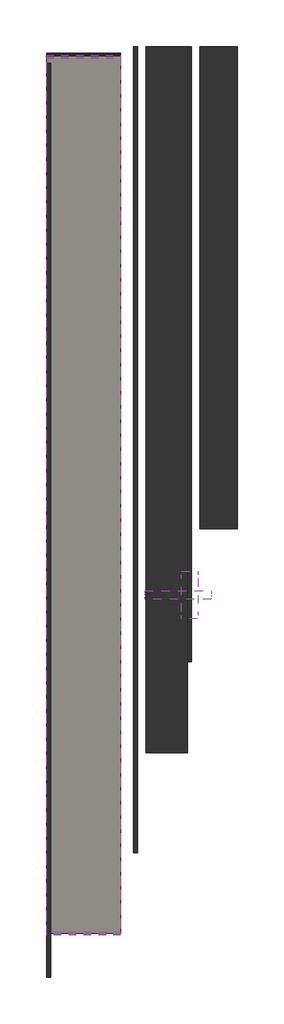
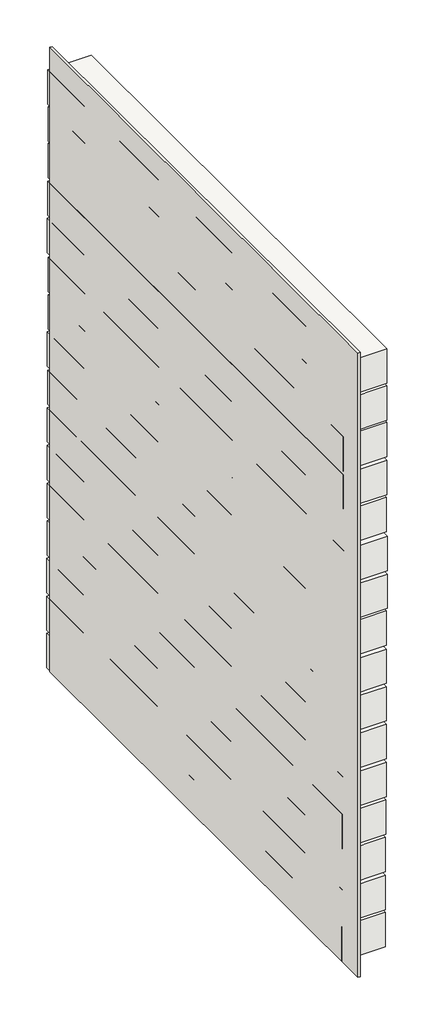
# One storey: 16 slabs, 5 walls, 2 pipe segments.
"""IFC4 building model written with IfcOpenShell, lengths in millimetres."""

from ifc_helpers import new_model, si_unit, point, frame, frame_2d, origin, origin_with_axes, place, context, project, spatial, polyline, circle_curve, trimmed, segment, composite_curve, outline, extrude, element, save

model = new_model("IFC4")

# Units and contexts
model_context = context("Model", 3, world=origin())
ifc_project = project(units=[si_unit("LENGTHUNIT", "METRE", prefix="MILLI")], contexts=[model_context])

# Site, building, storey
site = spatial("IfcSite", under=ifc_project)
building = spatial("IfcBuilding", under=site)
storey = spatial("IfcBuildingStorey", under=building, Elevation=0.0)

# Pipe segments
placement = place(None, origin())
element("IfcPipeSegment", 1, at=placement, inside=storey, context=model_context, shape_type="SweptSolid", body=[
    extrude(outline(composite_curve([segment(trimmed(circle_curve(frame_2d((-372.473152, 1959.7581082)), 57.15), [point((-429.623152, 1959.7581082))], [point((-372.473152, 2016.9081082))], False, "CARTESIAN"), True, "CONTINUOUS"), segment(trimmed(circle_curve(frame_2d((-372.473152, 1959.7581082)), 57.15), [point((-372.473152, 2016.9081082))], [point((-315.323152, 1959.7581082))], False, "CARTESIAN"), True, "CONTINUOUS"), segment(trimmed(circle_curve(frame_2d((-372.473152, 1959.7581082)), 57.15), [point((-315.323152, 1959.7581082))], [point((-372.473152, 1902.6081082))], False, "CARTESIAN"), True, "CONTINUOUS"), segment(trimmed(circle_curve(frame_2d((-372.473152, 1959.7581082)), 57.15), [point((-372.473152, 1902.6081082))], [point((-429.623152, 1959.7581082))], False, "CARTESIAN"), True, "CONTINUOUS")], self_intersect=False)), frame((-22518.2284687, 0.0, 0.0), z_axis=(1.0, 0.0, 0.0), x_axis=(0.0, 1.0, 0.0)), (0.0, 0.0, 1.0), 40.0),
])
element("IfcPipeSegment", 2, at=placement, inside=storey, context=model_context, shape_type="SweptSolid", body=[
    extrude(outline(composite_curve([segment(trimmed(circle_curve(frame_2d((-372.473152, 1959.7581082)), 10.668), [point((-383.141152, 1959.7581082))], [point((-372.473152, 1970.4261082))], False, "CARTESIAN"), True, "CONTINUOUS"), segment(trimmed(circle_curve(frame_2d((-372.473152, 1959.7581082)), 10.668), [point((-372.473152, 1970.4261082))], [point((-361.805152, 1959.7581082))], False, "CARTESIAN"), True, "CONTINUOUS"), segment(trimmed(circle_curve(frame_2d((-372.473152, 1959.7581082)), 10.668), [point((-361.805152, 1959.7581082))], [point((-372.473152, 1949.0901082))], False, "CARTESIAN"), True, "CONTINUOUS"), segment(trimmed(circle_curve(frame_2d((-372.473152, 1959.7581082)), 10.668), [point((-372.473152, 1949.0901082))], [point((-383.141152, 1959.7581082))], False, "CARTESIAN"), True, "CONTINUOUS")], self_intersect=False)), frame((-22605.9389623, 0.0, 0.0), z_axis=(1.0, 0.0, 0.0), x_axis=(0.0, 1.0, 0.0)), (0.0, 0.0, 1.0), 160.0),
])

# Slabs
element("IfcSlab", 3, at=placement, inside=storey, context=model_context, shape_type="SweptSolid", body=[
    extrude(outline(polyline([(-22664.2495835, 931.9503092), (-22664.2495835, -1178.0496908), (-22843.133723, -1178.0496908), (-22843.133723, 931.9503092), (-22664.2495835, 931.9503092)])), frame((0.0, 0.0, 1.393463), z_axis=(0.0, 0.0, 1.0), x_axis=(1.0, 0.0, 0.0)), (0.0, 0.0, 1.0), 150.0),
])
element("IfcSlab", 4, at=placement, inside=storey, context=model_context, shape_type="SweptSolid", body=[
    extrude(outline(polyline([(-22664.2495835, 930.4882772), (-22664.2495835, -1179.5117228), (-22843.133723, -1179.5117228), (-22843.133723, 930.4882772), (-22664.2495835, 930.4882772)])), frame((0.0, 0.0, 165.0), z_axis=(0.0, 0.0, 1.0), x_axis=(1.0, 0.0, 0.0)), (0.0, 0.0, 1.0), 150.0),
])
element("IfcSlab", 5, at=placement, inside=storey, context=model_context, shape_type="SweptSolid", body=[
    extrude(outline(polyline([(-22664.2495835, 930.4882772), (-22664.2495835, -1179.5117228), (-22843.133723, -1179.5117228), (-22843.133723, 930.4882772), (-22664.2495835, 930.4882772)])), frame((0.0, 0.0, 330.0), z_axis=(0.0, 0.0, 1.0), x_axis=(1.0, 0.0, 0.0)), (0.0, 0.0, 1.0), 150.0),
])
element("IfcSlab", 6, at=placement, inside=storey, context=model_context, shape_type="SweptSolid", body=[
    extrude(outline(polyline([(-22664.2495835, 928.2952293), (-22664.2495835, -1181.7047707), (-22843.133723, -1181.7047707), (-22843.133723, 928.2952293), (-22664.2495835, 928.2952293)])), frame((0.0, 0.0, 495.0), z_axis=(0.0, 0.0, 1.0), x_axis=(1.0, 0.0, 0.0)), (0.0, 0.0, 1.0), 150.0),
])
element("IfcSlab", 7, at=placement, inside=storey, context=model_context, shape_type="SweptSolid", body=[
    extrude(outline(polyline([(-22664.2495835, 926.0842168), (-22664.2495835, -1183.9157832), (-22843.133723, -1183.9157832), (-22843.133723, 926.0842168), (-22664.2495835, 926.0842168)])), frame((0.0, 0.0, 660.0), z_axis=(0.0, 0.0, 1.0), x_axis=(1.0, 0.0, 0.0)), (0.0, 0.0, 1.0), 150.0),
])
element("IfcSlab", 8, at=placement, inside=storey, context=model_context, shape_type="SweptSolid", body=[
    extrude(outline(polyline([(-22664.2495835, 926.0842168), (-22664.2495835, -1183.9157832), (-22843.133723, -1183.9157832), (-22843.133723, 926.0842168), (-22664.2495835, 926.0842168)])), frame((0.0, 0.0, 825.0), z_axis=(0.0, 0.0, 1.0), x_axis=(1.0, 0.0, 0.0)), (0.0, 0.0, 1.0), 150.0),
])
element("IfcSlab", 9, at=placement, inside=storey, context=model_context, shape_type="SweptSolid", body=[
    extrude(outline(polyline([(-22664.2495835, 926.0842168), (-22664.2495835, -1183.9157832), (-22843.133723, -1183.9157832), (-22843.133723, 926.0842168), (-22664.2495835, 926.0842168)])), frame((0.0, 0.0, 990.0), z_axis=(0.0, 0.0, 1.0), x_axis=(1.0, 0.0, 0.0)), (0.0, 0.0, 1.0), 150.0),
])
element("IfcSlab", 10, at=placement, inside=storey, context=model_context, shape_type="SweptSolid", body=[
    extrude(outline(polyline([(-22664.2495835, 923.5764522), (-22664.2495835, -1186.4235478), (-22843.133723, -1186.4235478), (-22843.133723, 923.5764522), (-22664.2495835, 923.5764522)])), frame((0.0, 0.0, 1155.0), z_axis=(0.0, 0.0, 1.0), x_axis=(1.0, 0.0, 0.0)), (0.0, 0.0, 1.0), 150.0),
])
element("IfcSlab", 11, at=placement, inside=storey, context=model_context, shape_type="SweptSolid", body=[
    extrude(outline(polyline([(-22664.2495835, 926.0842168), (-22664.2495835, -1183.9157832), (-22843.133723, -1183.9157832), (-22843.133723, 926.0842168), (-22664.2495835, 926.0842168)])), frame((0.0, 0.0, 1320.0), z_axis=(0.0, 0.0, 1.0), x_axis=(1.0, 0.0, 0.0)), (0.0, 0.0, 1.0), 150.0),
])
element("IfcSlab", 12, at=placement, inside=storey, context=model_context, shape_type="SweptSolid", body=[
    extrude(outline(polyline([(-22664.2495835, 918.9788838), (-22664.2495835, -1191.0211162), (-22843.133723, -1191.0211162), (-22843.133723, 918.9788838), (-22664.2495835, 918.9788838)])), frame((0.0, 0.0, 1485.0), z_axis=(0.0, 0.0, 1.0), x_axis=(1.0, 0.0, 0.0)), (0.0, 0.0, 1.0), 150.0),
])
element("IfcSlab", 13, at=placement, inside=storey, context=model_context, shape_type="SweptSolid", body=[
    extrude(outline(polyline([(-22664.2495835, 918.7544966), (-22664.2495835, -1191.2455034), (-22843.133723, -1191.2455034), (-22843.133723, 918.7544966), (-22664.2495835, 918.7544966)])), frame((0.0, 0.0, 1650.0), z_axis=(0.0, 0.0, 1.0), x_axis=(1.0, 0.0, 0.0)), (0.0, 0.0, 1.0), 150.0),
])
element("IfcSlab", 14, at=placement, inside=storey, context=model_context, shape_type="SweptSolid", body=[
    extrude(outline(polyline([(-22664.2495835, 926.0842168), (-22664.2495835, -1183.9157832), (-22843.133723, -1183.9157832), (-22843.133723, 926.0842168), (-22664.2495835, 926.0842168)])), frame((0.0, 0.0, 1815.0), z_axis=(0.0, 0.0, 1.0), x_axis=(1.0, 0.0, 0.0)), (0.0, 0.0, 1.0), 150.0),
])
element("IfcSlab", 15, at=placement, inside=storey, context=model_context, shape_type="SweptSolid", body=[
    extrude(outline(polyline([(-22664.2495835, 921.7583229), (-22664.2495835, -1188.2416771), (-22843.133723, -1188.2416771), (-22843.133723, 921.7583229), (-22664.2495835, 921.7583229)])), frame((0.0, 0.0, 1980.0), z_axis=(0.0, 0.0, 1.0), x_axis=(1.0, 0.0, 0.0)), (0.0, 0.0, 1.0), 150.0),
])
element("IfcSlab", 16, at=placement, inside=storey, context=model_context, shape_type="SweptSolid", body=[
    extrude(outline(polyline([(-22664.2495835, 921.1972717), (-22664.2495835, -1188.8027283), (-22843.133723, -1188.8027283), (-22843.133723, 921.1972717), (-22664.2495835, 921.1972717)])), frame((0.0, 0.0, 2145.0), z_axis=(0.0, 0.0, 1.0), x_axis=(1.0, 0.0, 0.0)), (0.0, 0.0, 1.0), 150.0),
])
element("IfcSlab", 17, at=placement, inside=storey, context=model_context, shape_type="SweptSolid", body=[
    extrude(outline(polyline([(-22664.2495835, 919.7634491), (-22664.2495835, -1190.2365509), (-22843.133723, -1190.2365509), (-22843.133723, 919.7634491), (-22664.2495835, 919.7634491)])), frame((0.0, 0.0, 2305.0), z_axis=(0.0, 0.0, 1.0), x_axis=(1.0, 0.0, 0.0)), (0.0, 0.0, 1.0), 150.0),
])
element("IfcSlab", 18, at=placement, inside=storey, context=model_context, shape_type="SweptSolid", body=[
    extrude(outline(polyline([(-22664.2495835, 922.3075581), (-22664.2495835, -1187.6924419), (-22843.133723, -1187.6924419), (-22843.133723, 922.3075581), (-22664.2495835, 922.3075581)])), frame((0.0, 0.0, 2465.0), z_axis=(0.0, 0.0, 1.0), x_axis=(1.0, 0.0, 0.0)), (0.0, 0.0, 1.0), 150.0),
])

# Walls
element("IfcWall", 19, at=placement, inside=storey, context=model_context, shape_type="SweptSolid", body=[
    extrude(outline(polyline([(-22843.133723, -1292.473152), (-22843.133723, 907.526848), (-22833.133723, 907.526848), (-22833.133723, -1292.473152), (-22843.133723, -1292.473152)])), origin_with_axes(), (0.0, 0.0, 1.0), 2721.8638137),
])
element("IfcWall", 20, at=placement, inside=storey, context=model_context, shape_type="SweptSolid", body=[
    extrude(outline(polyline([(-22633.133723, -992.473152), (-22633.133723, 947.526848), (-22623.133723, 947.526848), (-22623.133723, -992.473152), (-22633.133723, -992.473152)])), origin_with_axes(), (0.0, 0.0, 1.0), 2500.0),
])
element("IfcWall", 21, at=placement, inside=storey, context=model_context, shape_type="SweptSolid", body=[
    extrude(outline(polyline([(-22603.133723, -752.473152), (-22603.133723, 947.526848), (-22503.133723, 947.526848), (-22503.133723, -752.473152), (-22603.133723, -752.473152)])), origin_with_axes(), (0.0, 0.0, 1.0), 2300.0),
])
element("IfcWall", 22, at=placement, inside=storey, context=model_context, shape_type="SweptSolid", body=[
    extrude(outline(polyline([(-22503.133723, -532.473152), (-22503.133723, 947.526848), (-22493.133723, 947.526848), (-22493.133723, -532.473152), (-22503.133723, -532.473152)])), origin_with_axes(), (0.0, 0.0, 1.0), 2140.0),
])
element("IfcWall", 23, at=placement, inside=storey, context=model_context, shape_type="SweptSolid", body=[
    extrude(outline(polyline([(-22473.133723, -212.473152), (-22473.133723, 947.526848), (-22383.133723, 947.526848), (-22383.133723, -212.473152), (-22473.133723, -212.473152)])), origin_with_axes(), (0.0, 0.0, 1.0), 1980.0),
])

save(model, "model.ifc")
